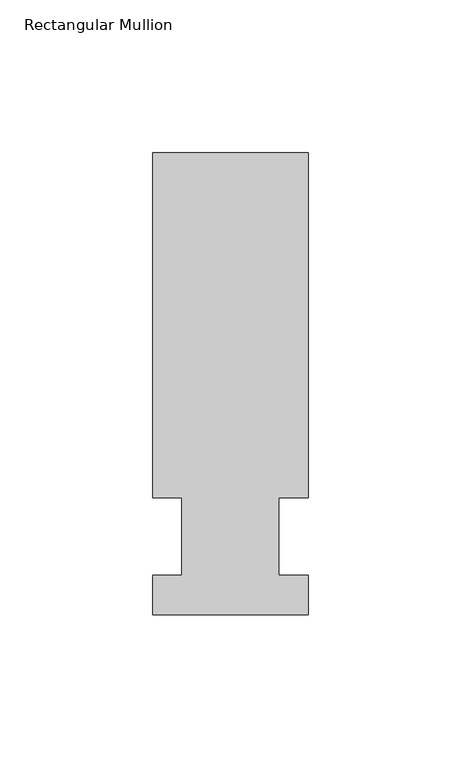
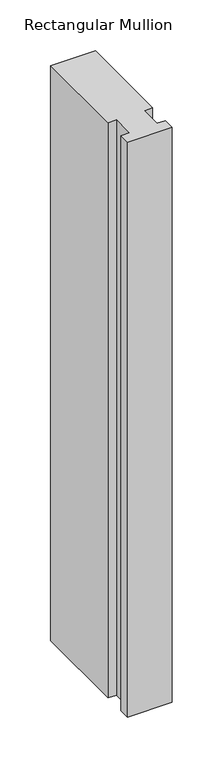
"""IFC4 building model written with IfcOpenShell, lengths in millimetres: member geometry, Rectangular Mullion."""

from ifc_helpers import new_model, si_unit, frame, origin, place, context, project, spatial, polyline, outline, extrude, source, transform, mapped, element, save


def rectangular_mullion_cf54738a(model_context):
    return source(origin(), model_context, "Body", "SweptSolid", [
        extrude(outline(polyline([(-25.4, -25.5984375), (-25.4, -12.7), (-15.875, -12.7), (-15.875, 12.7), (-25.4, 12.7), (-25.4, 125.6109375), (25.4, 125.6109375), (25.4, 12.7), (15.875, 12.7), (15.875, -12.7), (25.4, -12.7), (25.4, -25.5984375), (-25.4, -25.5984375)])), frame((0.0, 0.0, -690.5625), z_axis=(0.0, 0.0, 1.0), x_axis=(1.0, 0.0, 0.0)), (0.0, 0.0, 1.0), 690.5625),
    ])


if __name__ == "__main__":
    model = new_model("IFC4")
    model_context = context("Model", 3, world=origin())
    ifc_project = project(units=[si_unit("LENGTHUNIT", "METRE", prefix="MILLI")], contexts=[model_context])
    site = spatial("IfcSite", under=ifc_project)
    building = spatial("IfcBuilding", under=site)
    placement = place(None, origin())
    rectangular_mullion_shape = rectangular_mullion_cf54738a(model_context)
    element("IfcMember", 1, ObjectType="Rectangular Mullion", at=placement, inside=building, context=model_context, shape_type="MappedRepresentation", body=[
        mapped(rectangular_mullion_shape, transform((0.0, 0.0, 0.0), x_axis=(1.0, 0.0, 0.0), y_axis=(0.0, 1.0, 0.0), z_axis=(0.0, 0.0, 1.0))),
    ])
    save(model, "model.ifc")
